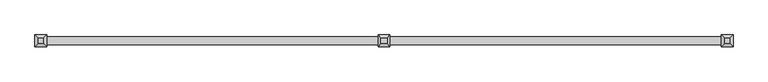
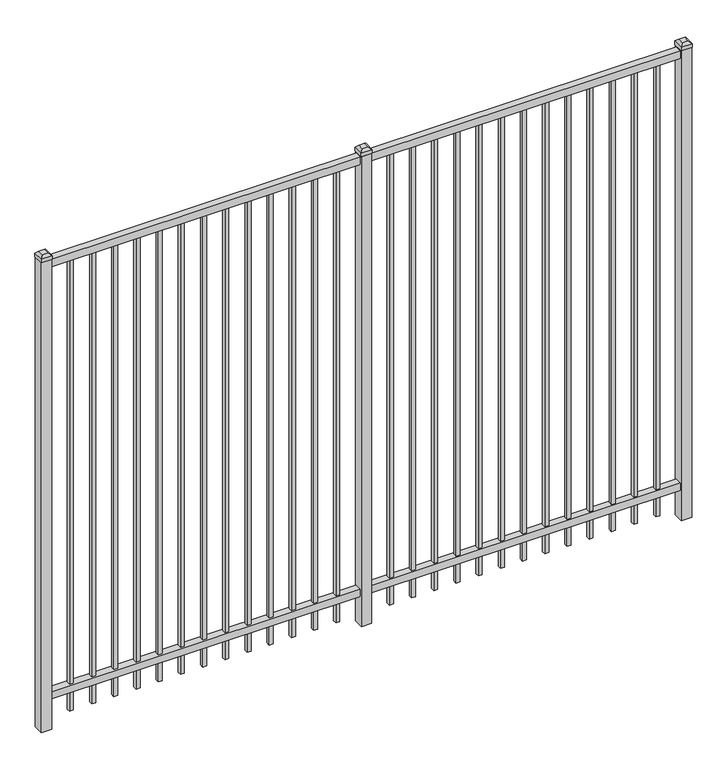
"""IFC4 building model written with IfcOpenShell, lengths in millimetres: railing geometry."""

from ifc_helpers import new_model, si_unit, frame, origin, origin_with_axes, place, context, project, spatial, polyline, outline, extrude, faceted_brep, source, transform, mapped, element, save


def railing_4a3a6a6d(model_context):
    return source(origin(), model_context, "Body", "SolidModel", [
        extrude(outline(polyline([(-55249.318087, 3004.8804826), (-55249.318087, 3039.8054826), (-52099.718087, 3039.8054826), (-52099.718087, 3004.8804826), (-55249.318087, 3004.8804826)])), frame((0.0, 0.0, 2400.3), z_axis=(0.0, 0.0, 1.0), x_axis=(1.0, 0.0, 0.0)), (0.0, 0.0, 1.0), 38.1),
        extrude(outline(polyline([(-55249.318087, 3004.8804826), (-55249.318087, 3039.8054826), (-52099.718087, 3039.8054826), (-52099.718087, 3004.8804826), (-55249.318087, 3004.8804826)])), frame((0.0, 0.0, 152.4), z_axis=(0.0, 0.0, 1.0), x_axis=(1.0, 0.0, 0.0)), (0.0, 0.0, 1.0), 38.1),
        extrude(outline(polyline([(-52331.2285036, 3031.8679826), (-52331.2285036, 3012.8179826), (-52350.2785036, 3012.8179826), (-52350.2785036, 3031.8679826), (-52331.2285036, 3031.8679826)])), frame((0.0, 0.0, 50.8), z_axis=(0.0, 0.0, 1.0), x_axis=(1.0, 0.0, 0.0)), (0.0, 0.0, 1.0), 2349.5),
        extrude(outline(polyline([(-52440.5014203, 3031.8679826), (-52440.5014203, 3012.8179826), (-52459.5514203, 3012.8179826), (-52459.5514203, 3031.8679826), (-52440.5014203, 3031.8679826)])), frame((0.0, 0.0, 50.8), z_axis=(0.0, 0.0, 1.0), x_axis=(1.0, 0.0, 0.0)), (0.0, 0.0, 1.0), 2349.5),
        extrude(outline(polyline([(-52549.774337, 3031.8679826), (-52549.774337, 3012.8179826), (-52568.824337, 3012.8179826), (-52568.824337, 3031.8679826), (-52549.774337, 3031.8679826)])), frame((0.0, 0.0, 50.8), z_axis=(0.0, 0.0, 1.0), x_axis=(1.0, 0.0, 0.0)), (0.0, 0.0, 1.0), 2349.5),
        extrude(outline(polyline([(-52659.0472536, 3031.8679826), (-52659.0472536, 3012.8179826), (-52678.0972536, 3012.8179826), (-52678.0972536, 3031.8679826), (-52659.0472536, 3031.8679826)])), frame((0.0, 0.0, 50.8), z_axis=(0.0, 0.0, 1.0), x_axis=(1.0, 0.0, 0.0)), (0.0, 0.0, 1.0), 2349.5),
        extrude(outline(polyline([(-52768.3201703, 3031.8679826), (-52768.3201703, 3012.8179826), (-52787.3701703, 3012.8179826), (-52787.3701703, 3031.8679826), (-52768.3201703, 3031.8679826)])), frame((0.0, 0.0, 50.8), z_axis=(0.0, 0.0, 1.0), x_axis=(1.0, 0.0, 0.0)), (0.0, 0.0, 1.0), 2349.5),
        extrude(outline(polyline([(-52877.593087, 3031.8679826), (-52877.593087, 3012.8179826), (-52896.643087, 3012.8179826), (-52896.643087, 3031.8679826), (-52877.593087, 3031.8679826)])), frame((0.0, 0.0, 50.8), z_axis=(0.0, 0.0, 1.0), x_axis=(1.0, 0.0, 0.0)), (0.0, 0.0, 1.0), 2349.5),
        extrude(outline(polyline([(-52986.8660036, 3031.8679826), (-52986.8660036, 3012.8179826), (-53005.9160036, 3012.8179826), (-53005.9160036, 3031.8679826), (-52986.8660036, 3031.8679826)])), frame((0.0, 0.0, 50.8), z_axis=(0.0, 0.0, 1.0), x_axis=(1.0, 0.0, 0.0)), (0.0, 0.0, 1.0), 2349.5),
        extrude(outline(polyline([(-53096.1389203, 3031.8679826), (-53096.1389203, 3012.8179826), (-53115.1889203, 3012.8179826), (-53115.1889203, 3031.8679826), (-53096.1389203, 3031.8679826)])), frame((0.0, 0.0, 50.8), z_axis=(0.0, 0.0, 1.0), x_axis=(1.0, 0.0, 0.0)), (0.0, 0.0, 1.0), 2349.5),
        extrude(outline(polyline([(-53205.411837, 3031.8679826), (-53205.411837, 3012.8179826), (-53224.461837, 3012.8179826), (-53224.461837, 3031.8679826), (-53205.411837, 3031.8679826)])), frame((0.0, 0.0, 50.8), z_axis=(0.0, 0.0, 1.0), x_axis=(1.0, 0.0, 0.0)), (0.0, 0.0, 1.0), 2349.5),
        extrude(outline(polyline([(-53314.6847536, 3031.8679826), (-53314.6847536, 3012.8179826), (-53333.7347536, 3012.8179826), (-53333.7347536, 3031.8679826), (-53314.6847536, 3031.8679826)])), frame((0.0, 0.0, 50.8), z_axis=(0.0, 0.0, 1.0), x_axis=(1.0, 0.0, 0.0)), (0.0, 0.0, 1.0), 2349.5),
        extrude(outline(polyline([(-53423.9576703, 3031.8679826), (-53423.9576703, 3012.8179826), (-53443.0076703, 3012.8179826), (-53443.0076703, 3031.8679826), (-53423.9576703, 3031.8679826)])), frame((0.0, 0.0, 50.8), z_axis=(0.0, 0.0, 1.0), x_axis=(1.0, 0.0, 0.0)), (0.0, 0.0, 1.0), 2349.5),
        extrude(outline(polyline([(-52221.955587, 3031.8679826), (-52221.955587, 3012.8179826), (-52241.005587, 3012.8179826), (-52241.005587, 3031.8679826), (-52221.955587, 3031.8679826)])), frame((0.0, 0.0, 50.8), z_axis=(0.0, 0.0, 1.0), x_axis=(1.0, 0.0, 0.0)), (0.0, 0.0, 1.0), 2349.5),
        extrude(outline(polyline([(-53533.230587, 3031.8679826), (-53533.230587, 3012.8179826), (-53552.280587, 3012.8179826), (-53552.280587, 3031.8679826), (-53533.230587, 3031.8679826)])), frame((0.0, 0.0, 50.8), z_axis=(0.0, 0.0, 1.0), x_axis=(1.0, 0.0, 0.0)), (0.0, 0.0, 1.0), 2349.5),
        extrude(outline(polyline([(-53649.118087, 3047.7429826), (-53649.118087, 2996.9429826), (-53699.918087, 2996.9429826), (-53699.918087, 3047.7429826), (-53649.118087, 3047.7429826)])), origin_with_axes(), (0.0, 0.0, 1.0), 2444.75),
        faceted_brep([(-53701.505587, 3049.3304826, 2463.8), (-53701.505587, 3049.3304826, 2444.75), (-53701.505587, 2995.3554826, 2444.75), (-53701.505587, 2995.3554826, 2463.8), (-53688.805587, 3036.6304826, 2476.5), (-53688.805587, 3008.0554826, 2476.5), (-53647.530587, 2995.3554826, 2444.75), (-53647.530587, 2995.3554826, 2463.8), (-53660.230587, 3008.0554826, 2476.5), (-53647.530587, 3049.3304826, 2444.75), (-53647.530587, 3049.3304826, 2463.8), (-53660.230587, 3036.6304826, 2476.5)], [[[0, 1, 2, 3]], [[4, 0, 3, 5]], [[3, 2, 6, 7]], [[5, 3, 7, 8]], [[7, 6, 9, 10]], [[8, 7, 10, 11]], [[10, 9, 1, 0]], [[11, 10, 0, 4]], [[5, 8, 11, 4]], [[1, 9, 6, 2]]]),
        extrude(outline(polyline([(-53906.0285036, 3031.8679826), (-53906.0285036, 3012.8179826), (-53925.0785036, 3012.8179826), (-53925.0785036, 3031.8679826), (-53906.0285036, 3031.8679826)])), frame((0.0, 0.0, 50.8), z_axis=(0.0, 0.0, 1.0), x_axis=(1.0, 0.0, 0.0)), (0.0, 0.0, 1.0), 2349.5),
        extrude(outline(polyline([(-54015.3014203, 3031.8679826), (-54015.3014203, 3012.8179826), (-54034.3514203, 3012.8179826), (-54034.3514203, 3031.8679826), (-54015.3014203, 3031.8679826)])), frame((0.0, 0.0, 50.8), z_axis=(0.0, 0.0, 1.0), x_axis=(1.0, 0.0, 0.0)), (0.0, 0.0, 1.0), 2349.5),
        extrude(outline(polyline([(-54124.574337, 3031.8679826), (-54124.574337, 3012.8179826), (-54143.624337, 3012.8179826), (-54143.624337, 3031.8679826), (-54124.574337, 3031.8679826)])), frame((0.0, 0.0, 50.8), z_axis=(0.0, 0.0, 1.0), x_axis=(1.0, 0.0, 0.0)), (0.0, 0.0, 1.0), 2349.5),
        extrude(outline(polyline([(-54233.8472536, 3031.8679826), (-54233.8472536, 3012.8179826), (-54252.8972536, 3012.8179826), (-54252.8972536, 3031.8679826), (-54233.8472536, 3031.8679826)])), frame((0.0, 0.0, 50.8), z_axis=(0.0, 0.0, 1.0), x_axis=(1.0, 0.0, 0.0)), (0.0, 0.0, 1.0), 2349.5),
        extrude(outline(polyline([(-54343.1201703, 3031.8679826), (-54343.1201703, 3012.8179826), (-54362.1701703, 3012.8179826), (-54362.1701703, 3031.8679826), (-54343.1201703, 3031.8679826)])), frame((0.0, 0.0, 50.8), z_axis=(0.0, 0.0, 1.0), x_axis=(1.0, 0.0, 0.0)), (0.0, 0.0, 1.0), 2349.5),
        extrude(outline(polyline([(-54452.393087, 3031.8679826), (-54452.393087, 3012.8179826), (-54471.443087, 3012.8179826), (-54471.443087, 3031.8679826), (-54452.393087, 3031.8679826)])), frame((0.0, 0.0, 50.8), z_axis=(0.0, 0.0, 1.0), x_axis=(1.0, 0.0, 0.0)), (0.0, 0.0, 1.0), 2349.5),
        extrude(outline(polyline([(-54561.6660036, 3031.8679826), (-54561.6660036, 3012.8179826), (-54580.7160036, 3012.8179826), (-54580.7160036, 3031.8679826), (-54561.6660036, 3031.8679826)])), frame((0.0, 0.0, 50.8), z_axis=(0.0, 0.0, 1.0), x_axis=(1.0, 0.0, 0.0)), (0.0, 0.0, 1.0), 2349.5),
        extrude(outline(polyline([(-54670.9389203, 3031.8679826), (-54670.9389203, 3012.8179826), (-54689.9889203, 3012.8179826), (-54689.9889203, 3031.8679826), (-54670.9389203, 3031.8679826)])), frame((0.0, 0.0, 50.8), z_axis=(0.0, 0.0, 1.0), x_axis=(1.0, 0.0, 0.0)), (0.0, 0.0, 1.0), 2349.5),
        extrude(outline(polyline([(-54780.211837, 3031.8679826), (-54780.211837, 3012.8179826), (-54799.261837, 3012.8179826), (-54799.261837, 3031.8679826), (-54780.211837, 3031.8679826)])), frame((0.0, 0.0, 50.8), z_axis=(0.0, 0.0, 1.0), x_axis=(1.0, 0.0, 0.0)), (0.0, 0.0, 1.0), 2349.5),
        extrude(outline(polyline([(-54889.4847536, 3031.8679826), (-54889.4847536, 3012.8179826), (-54908.5347536, 3012.8179826), (-54908.5347536, 3031.8679826), (-54889.4847536, 3031.8679826)])), frame((0.0, 0.0, 50.8), z_axis=(0.0, 0.0, 1.0), x_axis=(1.0, 0.0, 0.0)), (0.0, 0.0, 1.0), 2349.5),
        extrude(outline(polyline([(-54998.7576703, 3031.8679826), (-54998.7576703, 3012.8179826), (-55017.8076703, 3012.8179826), (-55017.8076703, 3031.8679826), (-54998.7576703, 3031.8679826)])), frame((0.0, 0.0, 50.8), z_axis=(0.0, 0.0, 1.0), x_axis=(1.0, 0.0, 0.0)), (0.0, 0.0, 1.0), 2349.5),
        extrude(outline(polyline([(-53796.755587, 3031.8679826), (-53796.755587, 3012.8179826), (-53815.805587, 3012.8179826), (-53815.805587, 3031.8679826), (-53796.755587, 3031.8679826)])), frame((0.0, 0.0, 50.8), z_axis=(0.0, 0.0, 1.0), x_axis=(1.0, 0.0, 0.0)), (0.0, 0.0, 1.0), 2349.5),
        extrude(outline(polyline([(-55108.030587, 3031.8679826), (-55108.030587, 3012.8179826), (-55127.080587, 3012.8179826), (-55127.080587, 3031.8679826), (-55108.030587, 3031.8679826)])), frame((0.0, 0.0, 50.8), z_axis=(0.0, 0.0, 1.0), x_axis=(1.0, 0.0, 0.0)), (0.0, 0.0, 1.0), 2349.5),
        extrude(outline(polyline([(-52074.318087, 3047.7429826), (-52074.318087, 2996.9429826), (-52125.118087, 2996.9429826), (-52125.118087, 3047.7429826), (-52074.318087, 3047.7429826)])), origin_with_axes(), (0.0, 0.0, 1.0), 2444.75),
        faceted_brep([(-52126.705587, 3049.3304826, 2463.8), (-52126.705587, 3049.3304826, 2444.75), (-52126.705587, 2995.3554826, 2444.75), (-52126.705587, 2995.3554826, 2463.8), (-52114.005587, 3036.6304826, 2476.5), (-52114.005587, 3008.0554826, 2476.5), (-52072.730587, 2995.3554826, 2444.75), (-52072.730587, 2995.3554826, 2463.8), (-52085.430587, 3008.0554826, 2476.5), (-52072.730587, 3049.3304826, 2444.75), (-52072.730587, 3049.3304826, 2463.8), (-52085.430587, 3036.6304826, 2476.5)], [[[0, 1, 2, 3]], [[4, 0, 3, 5]], [[3, 2, 6, 7]], [[5, 3, 7, 8]], [[7, 6, 9, 10]], [[8, 7, 10, 11]], [[10, 9, 1, 0]], [[11, 10, 0, 4]], [[5, 8, 11, 4]], [[1, 9, 6, 2]]]),
        extrude(outline(polyline([(-55223.918087, 3047.7429826), (-55223.918087, 2996.9429826), (-55274.718087, 2996.9429826), (-55274.718087, 3047.7429826), (-55223.918087, 3047.7429826)])), origin_with_axes(), (0.0, 0.0, 1.0), 2444.75),
        faceted_brep([(-55276.305587, 3049.3304826, 2463.8), (-55276.305587, 3049.3304826, 2444.75), (-55276.305587, 2995.3554826, 2444.75), (-55276.305587, 2995.3554826, 2463.8), (-55263.605587, 3036.6304826, 2476.5), (-55263.605587, 3008.0554826, 2476.5), (-55222.330587, 2995.3554826, 2444.75), (-55222.330587, 2995.3554826, 2463.8), (-55235.030587, 3008.0554826, 2476.5), (-55222.330587, 3049.3304826, 2444.75), (-55222.330587, 3049.3304826, 2463.8), (-55235.030587, 3036.6304826, 2476.5)], [[[0, 1, 2, 3]], [[4, 0, 3, 5]], [[3, 2, 6, 7]], [[5, 3, 7, 8]], [[7, 6, 9, 10]], [[8, 7, 10, 11]], [[10, 9, 1, 0]], [[11, 10, 0, 4]], [[5, 8, 11, 4]], [[1, 9, 6, 2]]]),
    ])


if __name__ == "__main__":
    model = new_model("IFC4")
    model_context = context("Model", 3, world=origin())
    ifc_project = project(units=[si_unit("LENGTHUNIT", "METRE", prefix="MILLI")], contexts=[model_context])
    site = spatial("IfcSite", under=ifc_project)
    building = spatial("IfcBuilding", under=site)
    placement = place(None, origin())
    railing_shape = railing_4a3a6a6d(model_context)
    element("IfcRailing", 1, at=placement, inside=building, context=model_context, shape_type="MappedRepresentation", body=[
        mapped(railing_shape, transform((0.0, 0.0, 0.0), x_axis=(1.0, 0.0, 0.0), y_axis=(0.0, 1.0, 0.0), z_axis=(0.0, 0.0, 1.0))),
    ])
    save(model, "model.ifc")
